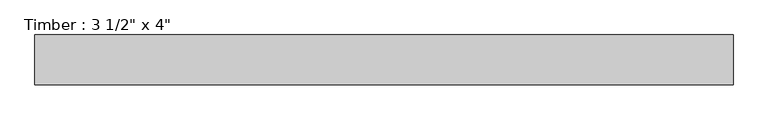
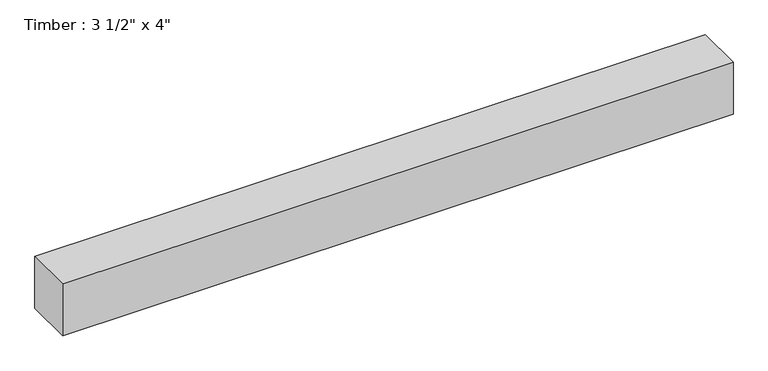
"""IFC4 building model written with IfcOpenShell, lengths in millimetres: beam geometry."""

from ifc_helpers import new_model, si_unit, frame, origin, place, context, project, spatial, polyline, outline, extrude, source, transform, mapped, element, save


def beam_f115abb9(model_context):
    return source(origin(), model_context, "Body", "SweptSolid", [
        extrude(outline(polyline([(623.2920872, -44.45), (-623.2920872, -44.45), (-623.2920872, 44.45), (623.2920872, 44.45), (623.2920872, -44.45)])), frame((0.0, 0.0, -50.8), z_axis=(0.0, 0.0, 1.0), x_axis=(1.0, 0.0, 0.0)), (0.0, 0.0, 1.0), 101.6),
    ])


if __name__ == "__main__":
    model = new_model("IFC4")
    model_context = context("Model", 3, world=origin())
    ifc_project = project(units=[si_unit("LENGTHUNIT", "METRE", prefix="MILLI")], contexts=[model_context])
    site = spatial("IfcSite", under=ifc_project)
    building = spatial("IfcBuilding", under=site)
    placement = place(None, origin())
    beam_shape = beam_f115abb9(model_context)
    element("IfcBeam", 1, ObjectType="Timber : 3 1/2\" x 4\"", at=placement, inside=building, context=model_context, shape_type="MappedRepresentation", body=[
        mapped(beam_shape, transform((0.0, 0.0, 0.0), x_axis=(1.0, 0.0, 0.0), y_axis=(0.0, 1.0, 0.0), z_axis=(0.0, 0.0, 1.0))),
    ])
    save(model, "model.ifc")
